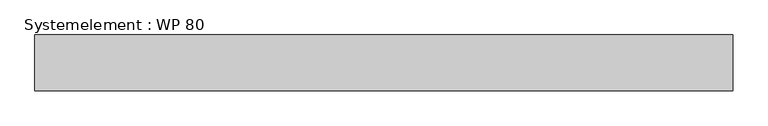
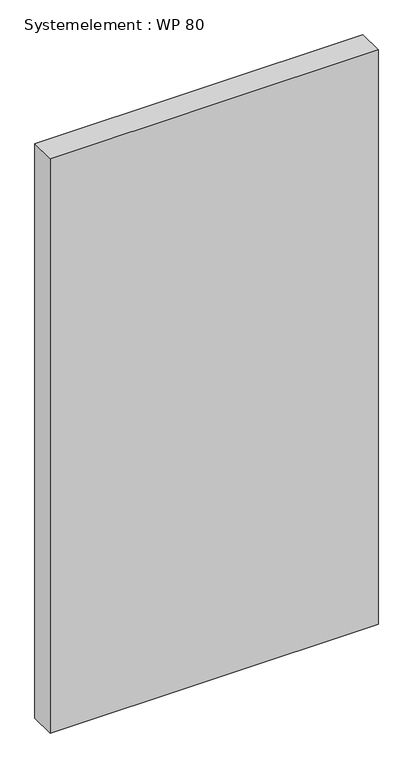
"""IFC4 building model written with IfcOpenShell, lengths in millimetres: plate geometry, Systemelement : WP 80."""

from ifc_helpers import new_model, si_unit, origin, origin_with_axes, place, context, project, spatial, polyline, outline, extrude, source, transform, mapped, element, save


def systemelement_wp_80_d7a6ddcf(model_context):
    return source(origin(), model_context, "Body", "SweptSolid", [
        extrude(outline(polyline([(500.0, -80.0), (-500.0, -80.0), (-500.0, 0.0), (500.0, 0.0), (500.0, -80.0)])), origin_with_axes(), (0.0, 0.0, 1.0), 1851.6147161),
    ])


if __name__ == "__main__":
    model = new_model("IFC4")
    model_context = context("Model", 3, world=origin())
    ifc_project = project(units=[si_unit("LENGTHUNIT", "METRE", prefix="MILLI")], contexts=[model_context])
    site = spatial("IfcSite", under=ifc_project)
    building = spatial("IfcBuilding", under=site)
    placement = place(None, origin())
    systemelement_wp_80_shape = systemelement_wp_80_d7a6ddcf(model_context)
    element("IfcPlate", 1, ObjectType="Systemelement : WP 80", at=placement, inside=building, context=model_context, shape_type="MappedRepresentation", body=[
        mapped(systemelement_wp_80_shape, transform((0.0, 0.0, 0.0), x_axis=(1.0, 0.0, 0.0), y_axis=(0.0, 1.0, 0.0), z_axis=(0.0, 0.0, 1.0))),
    ])
    save(model, "model.ifc")
